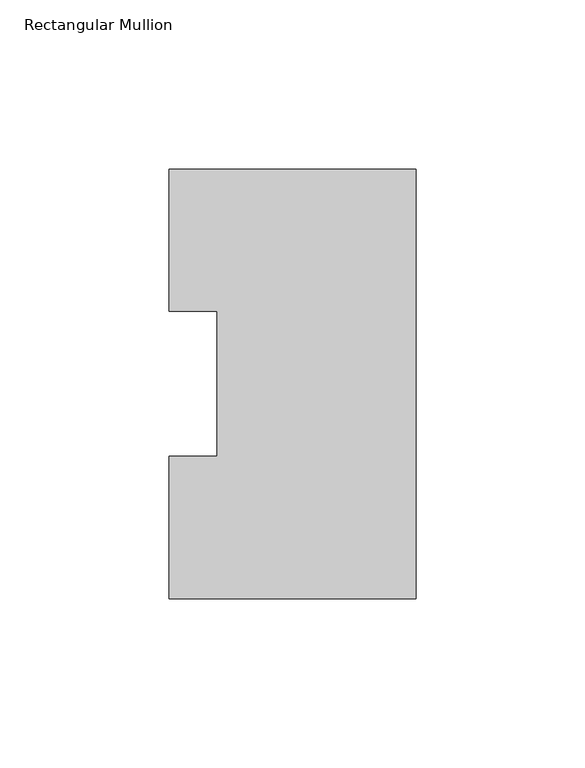
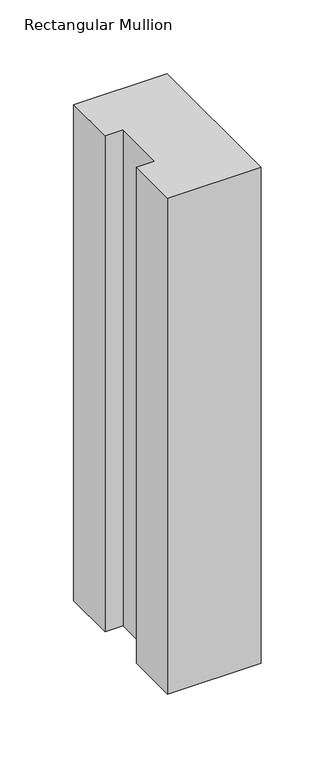
"""IFC4 building model written with IfcOpenShell, lengths in millimetres: member geometry, Rectangular Mullion."""

from ifc_helpers import new_model, si_unit, frame, origin, place, context, project, spatial, polyline, outline, extrude, source, transform, mapped, element, save


def rectangular_mullion_faa6f999(model_context):
    return source(origin(), model_context, "Body", "SweptSolid", [
        extrude(outline(polyline([(0.0, 127.00635), (0.0, 0.00635), (-73.025, 0.00635), (-73.025, 42.08145), (-58.7375, 42.08145), (-58.7375, 84.93125), (-73.025, 84.93125), (-73.025, 127.00635), (0.0, 127.00635)])), frame((0.0, 0.0, -409.575), z_axis=(0.0, 0.0, 1.0), x_axis=(1.0, 0.0, 0.0)), (0.0, 0.0, 1.0), 409.575),
    ])


if __name__ == "__main__":
    model = new_model("IFC4")
    model_context = context("Model", 3, world=origin())
    ifc_project = project(units=[si_unit("LENGTHUNIT", "METRE", prefix="MILLI")], contexts=[model_context])
    site = spatial("IfcSite", under=ifc_project)
    building = spatial("IfcBuilding", under=site)
    placement = place(None, origin())
    rectangular_mullion_shape = rectangular_mullion_faa6f999(model_context)
    element("IfcMember", 1, ObjectType="Rectangular Mullion", at=placement, inside=building, context=model_context, shape_type="MappedRepresentation", body=[
        mapped(rectangular_mullion_shape, transform((0.0, 0.0, 0.0), x_axis=(1.0, 0.0, 0.0), y_axis=(0.0, 1.0, 0.0), z_axis=(0.0, 0.0, 1.0))),
    ])
    save(model, "model.ifc")
